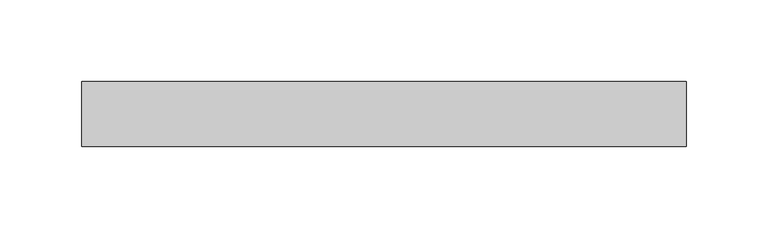
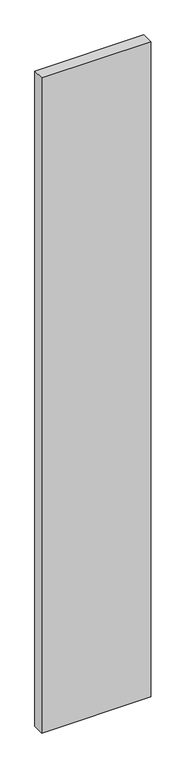
"""IFC4 building model written with IfcOpenShell, lengths in millimetres: plate geometry."""

from ifc_helpers import new_model, si_unit, origin, origin_with_axes, place, context, project, spatial, polyline, outline, extrude, source, transform, mapped, element, save


def plate_5809dbe5(model_context):
    return source(origin(), model_context, "Body", "SweptSolid", [
        extrude(outline(polyline([(184.8785156, 19.84375), (184.8785156, -19.84375), (-184.8785156, -19.84375), (-184.8785156, 19.84375), (184.8785156, 19.84375)])), origin_with_axes(), (0.0, 0.0, 1.0), 2348.4),
    ])


if __name__ == "__main__":
    model = new_model("IFC4")
    model_context = context("Model", 3, world=origin())
    ifc_project = project(units=[si_unit("LENGTHUNIT", "METRE", prefix="MILLI")], contexts=[model_context])
    site = spatial("IfcSite", under=ifc_project)
    building = spatial("IfcBuilding", under=site)
    placement = place(None, origin())
    plate_shape = plate_5809dbe5(model_context)
    element("IfcPlate", 1, at=placement, inside=building, context=model_context, shape_type="MappedRepresentation", body=[
        mapped(plate_shape, transform((0.0, 0.0, 0.0), x_axis=(1.0, 0.0, 0.0), y_axis=(0.0, 1.0, 0.0), z_axis=(0.0, 0.0, 1.0))),
    ])
    save(model, "model.ifc")
